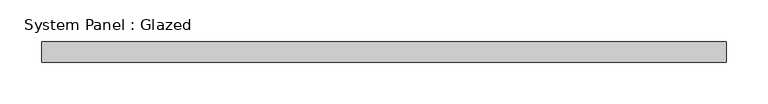
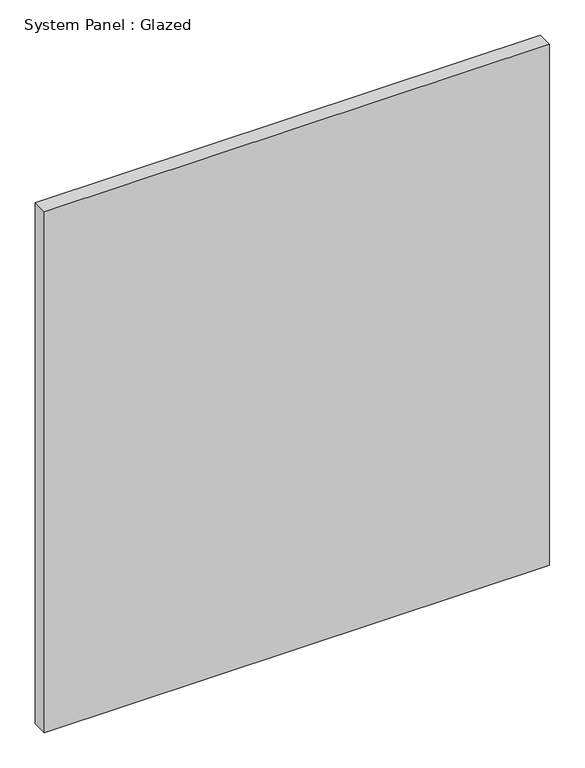
"""IFC4 building model written with IfcOpenShell, lengths in millimetres: plate geometry, System Panel : Glazed."""

from ifc_helpers import new_model, si_unit, origin, origin_with_axes, place, context, project, spatial, polyline, outline, extrude, source, transform, mapped, element, save


def system_panel_glazed_8bd95ae6(model_context):
    return source(origin(), model_context, "Body", "SweptSolid", [
        extrude(outline(polyline([(412.5, 24.5), (-412.5, 24.5), (-412.5, 49.5), (412.5, 49.5), (412.5, 24.5)])), origin_with_axes(), (0.0, 0.0, 1.0), 899.0),
    ])


if __name__ == "__main__":
    model = new_model("IFC4")
    model_context = context("Model", 3, world=origin())
    ifc_project = project(units=[si_unit("LENGTHUNIT", "METRE", prefix="MILLI")], contexts=[model_context])
    site = spatial("IfcSite", under=ifc_project)
    building = spatial("IfcBuilding", under=site)
    placement = place(None, origin())
    system_panel_glazed_shape = system_panel_glazed_8bd95ae6(model_context)
    element("IfcPlate", 1, ObjectType="System Panel : Glazed", at=placement, inside=building, context=model_context, shape_type="MappedRepresentation", body=[
        mapped(system_panel_glazed_shape, transform((0.0, 0.0, 0.0), x_axis=(1.0, 0.0, 0.0), y_axis=(0.0, 1.0, 0.0), z_axis=(0.0, 0.0, 1.0))),
    ])
    save(model, "model.ifc")
